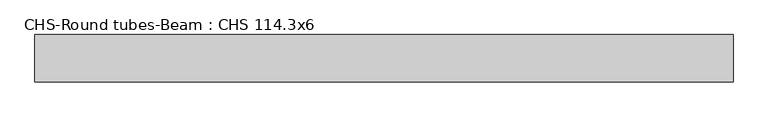
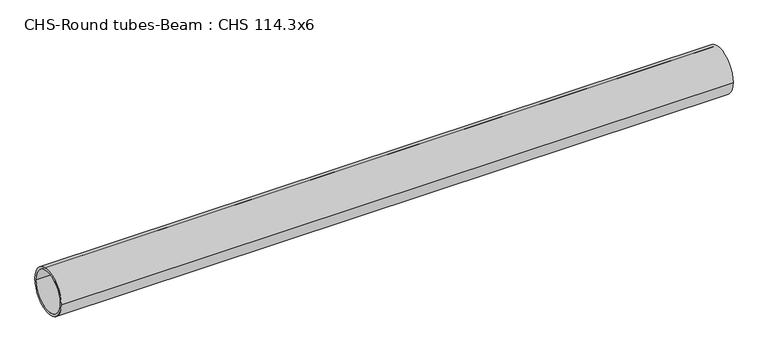
"""IFC4 building model written with IfcOpenShell, lengths in millimetres: beam geometry, CHS-Round tubes-Beam : CHS 114.3x6."""

from ifc_helpers import new_model, si_unit, point, frame, origin, origin_2d, place, context, project, spatial, circle_curve, trimmed, segment, composite_curve, outline, extrude, source, transform, mapped, element, save


def chs_round_tubes_beam_chs_114_3x6_f13538a5(model_context):
    return source(origin(), model_context, "Body", "SweptSolid", [
        extrude(outline(composite_curve([segment(trimmed(circle_curve(origin_2d(), 57.15), [point((57.15, 0.0))], [point((-57.15, 0.0))], False, "CARTESIAN"), True, "CONTINUOUS"), segment(trimmed(circle_curve(origin_2d(), 57.15), [point((-57.15, 0.0))], [point((57.15, 0.0))], False, "CARTESIAN"), True, "CONTINUOUS")], self_intersect=False), holes=[composite_curve([segment(trimmed(circle_curve(origin_2d(), 51.15), [point((51.15, 0.0))], [point((-51.15, 0.0))], True, "CARTESIAN"), True, "CONTINUOUS"), segment(trimmed(circle_curve(origin_2d(), 51.15), [point((-51.15, 0.0))], [point((51.15, 0.0))], True, "CARTESIAN"), True, "CONTINUOUS")], self_intersect=False)]), frame((-800.121456, 0.0, 0.0), z_axis=(1.0, 0.0, 0.0), x_axis=(0.0, 1.0, 0.0)), (0.0, 0.0, 1.0), 1686.9216428),
    ])


if __name__ == "__main__":
    model = new_model("IFC4")
    model_context = context("Model", 3, world=origin())
    ifc_project = project(units=[si_unit("LENGTHUNIT", "METRE", prefix="MILLI")], contexts=[model_context])
    site = spatial("IfcSite", under=ifc_project)
    building = spatial("IfcBuilding", under=site)
    placement = place(None, origin())
    chs_round_tubes_beam_chs_114_3x6_shape = chs_round_tubes_beam_chs_114_3x6_f13538a5(model_context)
    element("IfcBeam", 1, ObjectType="CHS-Round tubes-Beam : CHS 114.3x6", at=placement, inside=building, context=model_context, shape_type="MappedRepresentation", body=[
        mapped(chs_round_tubes_beam_chs_114_3x6_shape, transform((0.0, 0.0, 0.0), x_axis=(1.0, 0.0, 0.0), y_axis=(0.0, 1.0, 0.0), z_axis=(0.0, 0.0, 1.0))),
    ])
    save(model, "model.ifc")
